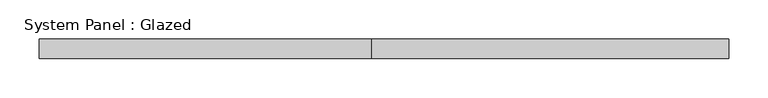
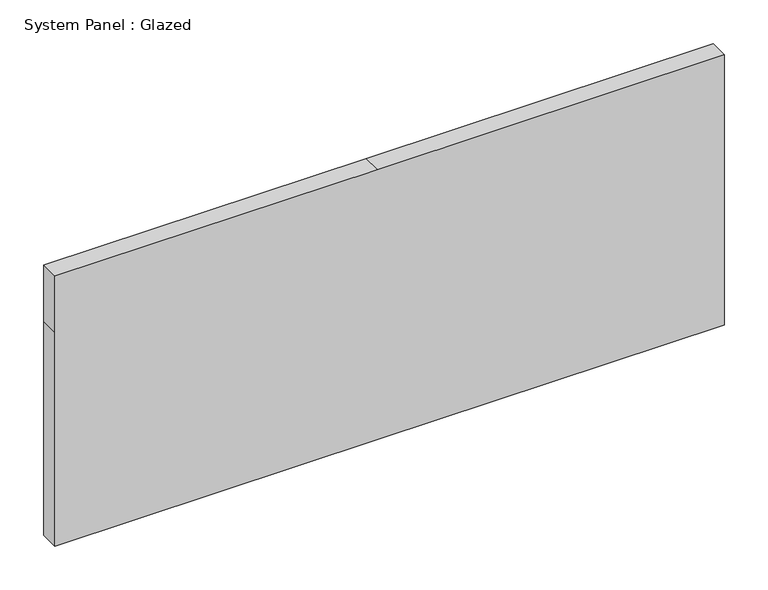
"""IFC4 building model written with IfcOpenShell, lengths in millimetres: plate geometry, System Panel : Glazed."""

import ifcopenshell
import ifcopenshell.guid

model = None  # the IFC model being written
_history = None  # IfcOwnerHistory: only IFC2X3 demands one
_inside = {}  # id of a spatial element -> (the spatial element, [elements in it])
_under = {}  # id of a project, library or spatial element -> (it, [spatial elements below it])
_declared = {}  # id of a project -> (the project, [libraries it declares])
_typed = {}  # id of a type object -> (the type object, [elements of that type])
_made_of = {}  # id of a material, layer set ... -> (it, [elements and type objects made of it])


def new_model(schema):
    """Start an empty IFC model of exactly this schema.

    Asked for "IFC4X3", IfcOpenShell would pick the latest addendum, in which some entities
    have other attributes; the version numbers below select the first issue.
    IFC2X3 requires an IfcOwnerHistory on every rooted entity: one is made here for all.
    """
    global model, _history
    if schema == "IFC4X3":
        model = ifcopenshell.file(schema_version=(4, 3, 0, 0))
    else:
        model = ifcopenshell.file(schema=schema)
    _inside.clear()
    _under.clear()
    _declared.clear()
    _typed.clear()
    _made_of.clear()
    _history = None
    if model.schema == "IFC2X3":
        org = make("IfcOrganization", Name="unknown")
        user = make(
            "IfcPersonAndOrganization",
            ThePerson=make("IfcPerson", FamilyName="unknown"),
            TheOrganization=org,
        )
        app = make(
            "IfcApplication",
            ApplicationDeveloper=org,
            Version="unknown",
            ApplicationFullName="unknown",
            ApplicationIdentifier="unknown",
        )
        _history = make(
            "IfcOwnerHistory",
            OwningUser=user,
            OwningApplication=app,
            ChangeAction="ADDED",
            CreationDate=0,
        )
    return model


def make(cls, **values):
    """One entity of the class cls with the attributes given. An attribute that is None is left unset."""
    return model.create_entity(
        cls, **{name: value for name, value in values.items() if value is not None}
    )


def rooted(cls, **values):
    """An entity with a GlobalId (a new one), such as an element, a storey or a relation."""
    return make(cls, GlobalId=ifcopenshell.guid.new(), OwnerHistory=_history, **values)


def si_unit(unit_type, name, prefix=None):
    """IfcSIUnit, for example si_unit("LENGTHUNIT", "METRE", prefix="MILLI")."""
    return make("IfcSIUnit", UnitType=unit_type, Prefix=prefix, Name=name)


def assignment(units):
    """IfcUnitAssignment: the units of a project."""
    return None if units is None else make("IfcUnitAssignment", Units=units)


def point(xyz):
    """IfcCartesianPoint."""
    return None if xyz is None else make("IfcCartesianPoint", Coordinates=xyz)


def direction(xyz):
    """IfcDirection."""
    return None if xyz is None else make("IfcDirection", DirectionRatios=xyz)


def frame(location, z_axis=None, x_axis=None):
    """IfcAxis2Placement3D, a coordinate frame: its origin and axes. An axis left out is left unset."""
    return make(
        "IfcAxis2Placement3D",
        Location=point(location),
        Axis=direction(z_axis),
        RefDirection=direction(x_axis),
    )


def origin():
    """The frame at (0, 0, 0) with its axes left unset."""
    return frame((0.0, 0.0, 0.0))


def place(relative_to, where):
    """IfcLocalPlacement: puts the frame where relative to a parent placement (None: the world)."""
    return make(
        "IfcLocalPlacement", PlacementRelTo=relative_to, RelativePlacement=where
    )


def context(
    kind, dimensions, precision=None, world=None, true_north=None, identifier=None
):
    """IfcGeometricRepresentationContext, for example the 3D "Model" context."""
    return make(
        "IfcGeometricRepresentationContext",
        ContextIdentifier=identifier,
        ContextType=kind,
        CoordinateSpaceDimension=dimensions,
        Precision=precision,
        WorldCoordinateSystem=world,
        TrueNorth=true_north,
    )


def project(units=None, contexts=None):
    """IfcProject with its units and contexts."""
    return rooted(
        "IfcProject",
        Name="project",
        RepresentationContexts=contexts,
        UnitsInContext=assignment(units),
    )


def spatial(cls, under=None, at=None, **own):
    """A site, building, storey or space (cls), placed at a placement, below another one or the project."""
    s = rooted(cls, ObjectPlacement=at, **own)
    if under is not None:
        _under.setdefault(under.id(), (under, []))[1].append(s)
    return s


def polyline(points):
    """IfcPolyline through the points."""
    return make("IfcPolyline", Points=[point(p) for p in points])


def outline(outer, holes=None, kind="AREA"):
    """IfcArbitraryClosedProfileDef: a profile drawn as a closed curve; with holes, ...WithVoids."""
    if holes is None:
        return make("IfcArbitraryClosedProfileDef", ProfileType=kind, OuterCurve=outer)
    return make(
        "IfcArbitraryProfileDefWithVoids",
        ProfileType=kind,
        OuterCurve=outer,
        InnerCurves=holes,
    )


def extrude(swept, where, along, depth):
    """IfcExtrudedAreaSolid: the profile swept, set in the frame where, extruded along a direction by depth."""
    return make(
        "IfcExtrudedAreaSolid",
        SweptArea=swept,
        Position=where,
        ExtrudedDirection=direction(along),
        Depth=depth,
    )


def shape(context_of_items, identifier, shape_type, items):
    """IfcShapeRepresentation: the items that make up one representation, for example the "Body"."""
    return make(
        "IfcShapeRepresentation",
        ContextOfItems=context_of_items,
        RepresentationIdentifier=identifier,
        RepresentationType=shape_type,
        Items=items,
    )


def source(mapping_origin, context_of_items, identifier, shape_type, items):
    """IfcRepresentationMap: a shape defined once, which mapped items show again and again."""
    return make(
        "IfcRepresentationMap",
        MappingOrigin=mapping_origin,
        MappedRepresentation=shape(context_of_items, identifier, shape_type, items),
    )


def transform(
    local_origin,
    x_axis=None,
    y_axis=None,
    z_axis=None,
    scale=None,
    scale2=None,
    scale3=None,
    uniform=True,
):
    """IfcCartesianTransformationOperator3D, or its non-uniform kind. x_axis, y_axis, z_axis: its Axis1, 2, 3."""
    if uniform:
        return make(
            "IfcCartesianTransformationOperator3D",
            Axis1=direction(x_axis),
            Axis2=direction(y_axis),
            LocalOrigin=point(local_origin),
            Scale=scale,
            Axis3=direction(z_axis),
        )
    return make(
        "IfcCartesianTransformationOperator3DnonUniform",
        Axis1=direction(x_axis),
        Axis2=direction(y_axis),
        LocalOrigin=point(local_origin),
        Scale=scale,
        Axis3=direction(z_axis),
        Scale2=scale2,
        Scale3=scale3,
    )


def mapped(mapping_source, mapping_target):
    """IfcMappedItem: shows the shape of a source again, moved by a transform."""
    return make(
        "IfcMappedItem", MappingSource=mapping_source, MappingTarget=mapping_target
    )


def made_of(thing, what):
    """Note that an element or type object is made of a material, layer set ...; save() writes the relation."""
    if what is not None:
        _made_of.setdefault(what.id(), (what, []))[1].append(thing)
    return thing


def element(
    cls,
    number,
    at=None,
    inside=None,
    cuts=None,
    type_object=None,
    material=None,
    context=None,
    identifier="Body",
    shape_type=None,
    held_by="IfcProductDefinitionShape",
    body=None,
    shapes=None,
    **own,
):
    """One element of the class cls, such as IfcWall. Its Tag is "e" and its number.

    at: its placement. inside: the storey or other place that contains it. cuts: it is an
    opening in that element (IfcRelVoidsElement). A single representation is given by context,
    identifier, shape_type and body (its items); several are given by shapes. held_by: the class
    of the entity that holds the representations. save() writes the other relations.
    """
    e = rooted(cls, Tag="e%d" % number, ObjectPlacement=at, **own)
    if body is not None:
        shapes = [shape(context, identifier, shape_type, body)]
    if shapes is not None:
        e.Representation = make(held_by, Representations=shapes)
    if inside is not None:
        _inside.setdefault(inside.id(), (inside, []))[1].append(e)
    if cuts is not None:
        rooted(
            "IfcRelVoidsElement", RelatingBuildingElement=cuts, RelatedOpeningElement=e
        )
    if type_object is not None:
        _typed.setdefault(type_object.id(), (type_object, []))[1].append(e)
    return made_of(e, material)


def aggregate(whole, parts):
    """IfcRelAggregates: a whole, such as a stair, and the parts it consists of."""
    return rooted("IfcRelAggregates", RelatingObject=whole, RelatedObjects=parts)


def save(model, path):
    """Write the relations noted so far, then the file.

    IfcRelAggregates (storeys below a building ...), IfcRelContainedInSpatialStructure (elements
    in a storey), IfcRelDefinesByType, IfcRelAssociatesMaterial and IfcRelDeclares: one each for
    every whole, place, type object, material and project.
    """
    for whole, parts in _under.values():
        aggregate(whole, parts)
    for where, things in _inside.values():
        rooted(
            "IfcRelContainedInSpatialStructure",
            RelatedElements=things,
            RelatingStructure=where,
        )
    for kind, things in _typed.values():
        rooted("IfcRelDefinesByType", RelatedObjects=things, RelatingType=kind)
    for what, things in _made_of.values():
        rooted("IfcRelAssociatesMaterial", RelatedObjects=things, RelatingMaterial=what)
    for by, libraries in _declared.values():
        rooted("IfcRelDeclares", RelatingContext=by, RelatedDefinitions=libraries)
    model.write(path)


def system_panel_glazed_f7ca0407(model_context):
    return source(origin(), model_context, "Body", "SweptSolid", [
        extrude(outline(polyline([(0.0, -441.325), (0.0, -15.875), (0.0, 441.325), (298.45, 441.325), (376.7666667, 441.325), (376.7666667, -15.875), (376.7666667, -441.325), (298.45, -441.325), (0.0, -441.325)])), frame((0.0, 19.05, 0.0), z_axis=(0.0, 1.0, 0.0), x_axis=(0.0, 0.0, 1.0)), (0.0, 0.0, 1.0), 25.4),
    ])


if __name__ == "__main__":
    model = new_model("IFC4")
    model_context = context("Model", 3, world=origin())
    ifc_project = project(units=[si_unit("LENGTHUNIT", "METRE", prefix="MILLI")], contexts=[model_context])
    site = spatial("IfcSite", under=ifc_project)
    building = spatial("IfcBuilding", under=site)
    placement = place(None, origin())
    system_panel_glazed_shape = system_panel_glazed_f7ca0407(model_context)
    element("IfcPlate", 1, ObjectType="System Panel : Glazed", at=placement, inside=building, context=model_context, shape_type="MappedRepresentation", body=[
        mapped(system_panel_glazed_shape, transform((0.0, 0.0, 0.0), x_axis=(1.0, 0.0, 0.0), y_axis=(0.0, 1.0, 0.0), z_axis=(0.0, 0.0, 1.0))),
    ])
    save(model, "model.ifc")
